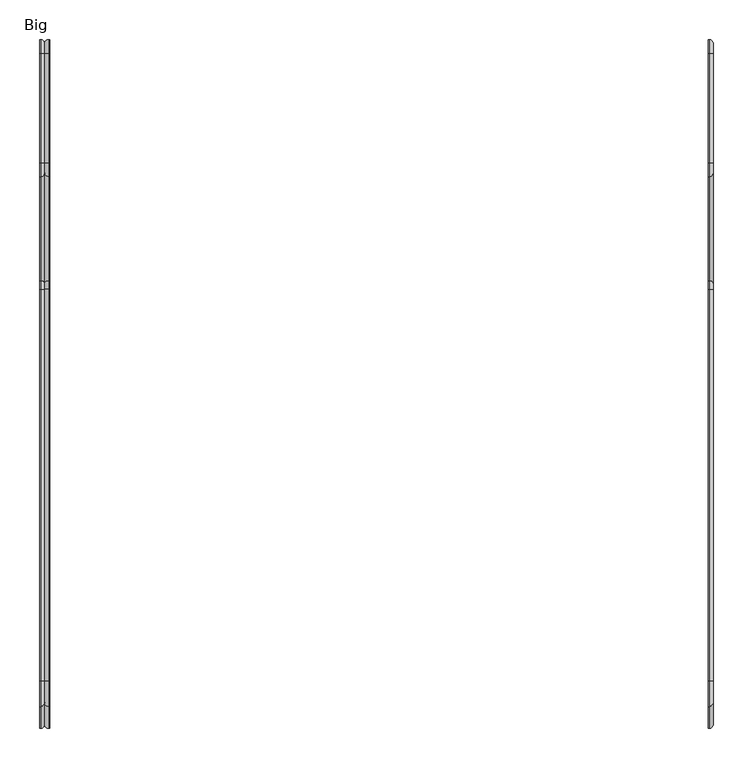
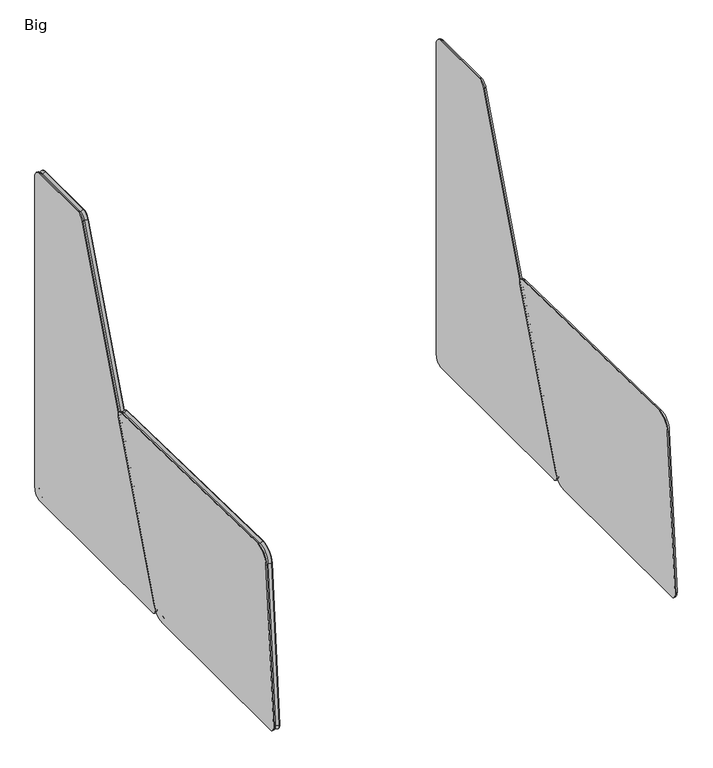
"""IFC4 building model written with IfcOpenShell, lengths in millimetres: furniture geometry, Big."""

from ifc_helpers import new_model, si_unit, point, frame, origin, place, context, project, spatial, circle_curve, ellipse_curve, trimmed, source, transform, mapped, element, save
from ifc_brep_helpers import plane_surface, cylinder_surface, revolved_surface, advanced_brep


def big_0305a862(model_context):
    return source(origin(), model_context, "Body", "AdvancedBrep", [
        advanced_brep(
        [(1683.6997412, -314.9526545, 414.2158586), (1683.6997412, -304.5197385, 398.7021703), (1682.4934293, -304.5197385, 398.7021703), (1682.4934293, -314.9526545, 414.2158586), (1688.8434293, -315.0614252, 409.0733208), (1688.8434293, -309.3234931, 400.5410474), (1682.4934293, -809.5215301, 424.6765705), (1683.6997412, -809.5215301, 424.6765705), (1688.8434293, -809.6303008, 419.5340326), (1682.4934293, -841.8415436, 395.4689681), (1683.6997412, -841.8415436, 395.4689681), (1688.8434293, -836.7142807, 395.0582348), (1682.4934293, -869.3709462, 51.8141192), (1683.6997412, -869.3709462, 51.8141192), (1688.8434293, -864.2436833, 51.4033859), (1682.4934293, -856.7115006, 38.1), (1683.6997412, -856.7115006, 38.1), (1688.8434293, -856.7115006, 43.2436881), (1682.4934293, -464.4011038, 38.1), (1683.6997412, -464.4011038, 38.1), (1688.8434293, -464.4011038, 43.2436881), (1682.4934293, -434.7493822, 58.4993215), (1683.6997412, -434.7493822, 58.4993215), (1688.8434293, -439.5531367, 60.3381987)],
        [
            (0, 1, circle_curve(frame((1683.6997412, -315.1943583, 402.7884145), z_axis=(-1.0, 0.0, 0.0), x_axis=(0.0, 0.933912493810332, -0.35750168377920466)), 11.43)),
            (1, 2),
            (2, 3, circle_curve(frame((1682.4934293, -315.1943583, 402.7884145), z_axis=(1.0, 0.0, 0.0), x_axis=(0.0, 0.933912493810332, -0.35750168377920466)), 11.43)),
            (3, 0),
            (0, 4, circle_curve(frame((1683.6997412, -315.0614252, 409.0733208), z_axis=(0.0, 0.9997763889644172, -0.02114644341893257), x_axis=(-1.0, 0.0, 0.0)), 5.1436881)),
            (4, 5, circle_curve(frame((1688.8434293, -315.1943583, 402.7884145), z_axis=(-1.0, 0.0, 0.0), x_axis=(0.0, 0.933912493810332, -0.35750168377920466)), 6.2863119)),
            (5, 1, circle_curve(frame((1683.6997412, -309.3234931, 400.5410474), z_axis=(0.0, 0.35750168377920477, 0.933912493810332), x_axis=(-1.0, 0.0, 0.0)), 5.1436881)),
            (3, 6),
            (6, 7),
            (7, 0),
            (7, 8, circle_curve(frame((1683.6997412, -809.6303008, 419.5340326), z_axis=(0.0, 0.9997763889644175, -0.02114644341893418), x_axis=(-1.0, 0.0, 0.0)), 5.1436881)),
            (8, 4),
            (6, 9, circle_curve(frame((1682.4934293, -810.1929297, 392.9336702), z_axis=(1.0, 0.0, 0.0), x_axis=(0.0, 0.02114644341893813, 0.9997763889644172)), 31.75)),
            (9, 10),
            (10, 7, circle_curve(frame((1683.6997412, -810.1929297, 392.9336702), z_axis=(-1.0, 0.0, 0.0), x_axis=(0.0, 0.02114644341893813, 0.9997763889644172)), 31.75)),
            (10, 11, circle_curve(frame((1683.6997412, -836.7142807, 395.0582348), z_axis=(0.0, 0.07985190397493681, 0.9968067382555044), x_axis=(-1.0, 0.0, 0.0)), 5.1436881)),
            (11, 8, circle_curve(frame((1688.8434293, -810.1929297, 392.9336702), z_axis=(-1.0, 0.0, 0.0), x_axis=(0.0, 0.02114644341893813, 0.9997763889644172)), 26.6063119)),
            (9, 12),
            (12, 13),
            (13, 10),
            (13, 14, circle_curve(frame((1683.6997412, -864.2436833, 51.4033859), z_axis=(0.0, 0.07985190397492817, 0.9968067382555051), x_axis=(-1.0, 0.0, 0.0)), 5.1436881)),
            (14, 11),
            (12, 15, circle_curve(frame((1682.4934293, -856.7115006, 50.8), z_axis=(1.0, 0.0, 0.0), x_axis=(0.0, -0.9968067382555038, 0.07985190397494248)), 12.7)),
            (15, 16),
            (16, 13, circle_curve(frame((1683.6997412, -856.7115006, 50.8), z_axis=(-1.0, 0.0, 0.0), x_axis=(0.0, -0.9968067382555038, 0.07985190397494248)), 12.7)),
            (16, 17, circle_curve(frame((1683.6997412, -856.7115006, 43.2436881), z_axis=(0.0, -0.9999999999999999, 0.0), x_axis=(-1.0, 0.0, 0.0)), 5.1436881)),
            (17, 14, circle_curve(frame((1688.8434293, -856.7115006, 50.8), z_axis=(-1.0, 0.0, 0.0), x_axis=(0.0, -0.9968067382555038, 0.07985190397494248)), 7.5563119)),
            (15, 18),
            (18, 19),
            (19, 16),
            (19, 20, circle_curve(frame((1683.6997412, -464.4011038, 43.2436881), z_axis=(0.0, -1.0, 0.0), x_axis=(-1.0, 0.0, 0.0)), 5.1436881)),
            (20, 17),
            (18, 21, circle_curve(frame((1682.4934293, -464.4011038, 69.85), z_axis=(1.0, 0.0, 0.0), x_axis=(0.0, 0.0, -1.0)), 31.75)),
            (21, 22),
            (22, 19, circle_curve(frame((1683.6997412, -464.4011038, 69.85), z_axis=(-1.0, 0.0, 0.0), x_axis=(0.0, 0.0, -1.0)), 31.75)),
            (22, 23, circle_curve(frame((1683.6997412, -439.5531367, 60.3381987), z_axis=(0.0, -0.35750168377919317, -0.9339124938103366), x_axis=(-1.0, 0.0, 0.0)), 5.1436881)),
            (23, 20, circle_curve(frame((1688.8434293, -464.4011038, 69.85), z_axis=(-1.0, 0.0, 0.0), x_axis=(0.0, 0.0, -1.0)), 26.6063119)),
            (2, 21),
            (1, 22),
            (5, 23),
        ],
        [
            cylinder_surface(frame((1682.4934293, -315.1943583, 402.7884145), z_axis=(1.0, 0.0, 0.0), x_axis=(0.0, 0.933912493810332, -0.35750168377920466)), 11.43),
            revolved_surface(trimmed(ellipse_curve(frame((1683.6997412, -309.3234931, 400.5410474), z_axis=(0.0, -0.35750168377920477, -0.933912493810332), x_axis=(-1.0, 0.0, 0.0)), 5.1436881, 5.1436881), [point((1683.6997412, -304.5197385, 398.7021703))], [point((1688.8434293, -309.3234931, 400.5410474))], True, "CARTESIAN"), (1682.4934293, -315.1943583, 402.7884145), (1.0, 0.0, 0.0)),
            plane_surface(frame((1682.4934293, -314.9526545, 414.2158586), z_axis=(0.0, 0.02114644341893413, 0.9997763889644173), x_axis=(0.0, -0.9997763889644173, 0.02114644341893413))),
            cylinder_surface(frame((1683.6997412, -315.0614252, 409.0733208), z_axis=(0.0, 0.9997763889644175, -0.02114644341893418), x_axis=(-1.0, 0.0, 0.0)), 5.1436881),
            cylinder_surface(frame((1682.4934293, -810.1929297, 392.9336702), z_axis=(1.0, 0.0, 0.0), x_axis=(0.0, 0.02114644341893813, 0.9997763889644172)), 31.75),
            revolved_surface(trimmed(ellipse_curve(frame((1683.6997412, -809.6303008, 419.5340326), z_axis=(0.0, 0.9997763889644172, -0.021146443418938222), x_axis=(-1.0, 0.0, 0.0)), 5.1436881, 5.1436881), [point((1683.6997412, -809.5215301, 424.6765705))], [point((1688.8434293, -809.6303008, 419.5340326))], True, "CARTESIAN"), (1682.4934293, -810.1929297, 392.9336702), (1.0, 0.0, 0.0)),
            plane_surface(frame((1682.4934293, -841.8415436, 395.4689681), z_axis=(0.0, -0.996806738255505, 0.07985190397492804), x_axis=(0.0, -0.07985190397492804, -0.996806738255505))),
            cylinder_surface(frame((1683.6997412, -836.7142807, 395.0582348), z_axis=(0.0, 0.07985190397492817, 0.9968067382555051), x_axis=(-1.0, 0.0, 0.0)), 5.1436881),
            cylinder_surface(frame((1682.4934293, -856.7115006, 50.8), z_axis=(1.0, 0.0, 0.0), x_axis=(0.0, -0.9968067382555038, 0.07985190397494248)), 12.7),
            revolved_surface(trimmed(ellipse_curve(frame((1683.6997412, -864.2436833, 51.4033859), z_axis=(0.0, 0.07985190397494259, 0.9968067382555038), x_axis=(-1.0, 0.0, 0.0)), 5.1436881, 5.1436881), [point((1683.6997412, -869.3709462, 51.8141192))], [point((1688.8434293, -864.2436833, 51.4033859))], True, "CARTESIAN"), (1682.4934293, -856.7115006, 50.8), (1.0, 0.0, 0.0)),
            plane_surface(frame((1682.4934293, -856.7115006, 38.1), z_axis=(0.0, 0.0, -1.0), x_axis=(0.0, 1.0, 0.0))),
            cylinder_surface(frame((1683.6997412, -856.7115006, 43.2436881), z_axis=(0.0, -1.0, 0.0), x_axis=(-1.0, 0.0, 0.0)), 5.1436881),
            cylinder_surface(frame((1682.4934293, -464.4011038, 69.85), z_axis=(1.0, 0.0, 0.0), x_axis=(0.0, 0.0, -1.0)), 31.75),
            revolved_surface(trimmed(ellipse_curve(frame((1683.6997412, -464.4011038, 43.2436881), z_axis=(0.0, -1.0, 0.0), x_axis=(-1.0, 0.0, 0.0)), 5.1436881, 5.1436881), [point((1683.6997412, -464.4011038, 38.1))], [point((1688.8434293, -464.4011038, 43.2436881))], True, "CARTESIAN"), (1682.4934293, -464.4011038, 69.85), (1.0, 0.0, 0.0)),
            plane_surface(frame((1682.4934293, -440.6797265, 60.7694572), z_axis=(-1.0, 0.0, 0.0), x_axis=(0.0, 0.3575016837791921, 0.9339124938103369))),
            plane_surface(frame((1682.4934293, -434.7493822, 58.4993215), z_axis=(0.0, 0.9339124938103369, -0.3575016837791923), x_axis=(0.0, 0.3575016837791923, 0.9339124938103369))),
            cylinder_surface(frame((1683.6997412, -439.5531367, 60.3381987), z_axis=(0.0, -0.3575016837791923, -0.9339124938103369), x_axis=(-1.0, 0.0, 0.0)), 5.1436881),
            plane_surface(frame((1688.8434293, -439.5531367, 60.3381987), z_axis=(1.0, 0.0, 0.0), x_axis=(0.0, 0.3575016837791921, 0.9339124938103369))),
        ],
        [
            (0, [[1, 2, 3, 4]]),
            (1, [[-1, 5, 6, 7]]),
            (2, [[-4, 8, 9, 10]]),
            (3, [[-5, -10, 11, 12]]),
            (4, [[-9, 13, 14, 15]]),
            (5, [[-11, -15, 16, 17]]),
            (6, [[-14, 18, 19, 20]]),
            (7, [[-16, -20, 21, 22]]),
            (8, [[-19, 23, 24, 25]]),
            (9, [[-21, -25, 26, 27]]),
            (10, [[-24, 28, 29, 30]]),
            (11, [[-26, -30, 31, 32]]),
            (12, [[-29, 33, 34, 35]]),
            (13, [[-31, -35, 36, 37]]),
            (14, [[-3, 38, -33, -28, -23, -18, -13, -8]]),
            (15, [[-2, 39, -34, -38]]),
            (16, [[-7, 40, -36, -39]]),
            (17, [[-6, -12, -17, -22, -27, -32, -37, -40]]),
        ],
    ),
        advanced_brep(
        [(1683.6997412, -17.018, 765.683), (1683.6997412, 0.0, 748.665), (1682.4934293, 0.0, 748.665), (1682.4934293, -17.018, 765.683), (1688.8434293, -17.018, 760.5393119), (1688.8434293, -5.1436881, 748.665), (1682.4934293, -155.2745791, 765.683), (1683.6997412, -155.2745791, 765.683), (1688.8434293, -155.2745791, 760.5393119), (1682.4934293, -173.0792475, 753.4076796), (1683.6997412, -173.0792475, 753.4076796), (1688.8434293, -168.2718112, 751.5784492), (1682.4934293, -438.7030878, 55.3164531), (1683.6997412, -438.7030878, 55.3164531), (1688.8434293, -433.8956515, 53.4872227), (1682.4934293, -426.8333088, 38.1), (1683.6997412, -426.8333088, 38.1), (1688.8434293, -426.8333088, 43.2436881), (1682.4934293, -19.05, 38.1), (1683.6997412, -19.05, 38.1), (1688.8434293, -19.05, 43.2436881), (1682.4934293, 0.0, 57.15), (1683.6997412, 0.0, 57.15), (1688.8434293, -5.1436881, 57.15)],
        [
            (0, 1, circle_curve(frame((1683.6997412, -17.018, 748.665), z_axis=(-1.0, 0.0, 0.0), x_axis=(0.0, 1.0, 0.0)), 17.018)),
            (1, 2),
            (2, 3, circle_curve(frame((1682.4934293, -17.018, 748.665), z_axis=(1.0, 0.0, 0.0), x_axis=(0.0, 1.0, 0.0)), 17.018)),
            (3, 0),
            (0, 4, circle_curve(frame((1683.6997412, -17.018, 760.5393119), z_axis=(0.0, 1.0, 0.0), x_axis=(-1.0, 0.0, 0.0)), 5.1436881)),
            (4, 5, circle_curve(frame((1688.8434293, -17.018, 748.665), z_axis=(-1.0, 0.0, 0.0), x_axis=(0.0, 1.0, 0.0)), 11.8743119)),
            (5, 1, circle_curve(frame((1683.6997412, -5.1436881, 748.665), z_axis=(0.0, 0.0, 1.0), x_axis=(-1.0, 0.0, 0.0)), 5.1436881)),
            (3, 6),
            (6, 7),
            (7, 0),
            (7, 8, circle_curve(frame((1683.6997412, -155.2745791, 760.5393119), z_axis=(0.0, 1.0, 0.0), x_axis=(-1.0, 0.0, 0.0)), 5.1436881)),
            (8, 4),
            (6, 9, circle_curve(frame((1682.4934293, -155.2745791, 746.633), z_axis=(1.0, 0.0, 0.0), x_axis=(0.0, 0.0, 1.0)), 19.05)),
            (9, 10),
            (10, 7, circle_curve(frame((1683.6997412, -155.2745791, 746.633), z_axis=(-1.0, 0.0, 0.0), x_axis=(0.0, 0.0, 1.0)), 19.05)),
            (10, 11, circle_curve(frame((1683.6997412, -168.2718112, 751.5784492), z_axis=(0.0, 0.3556262257533158, 0.9346282616936274), x_axis=(-1.0, 0.0, 0.0)), 5.1436881)),
            (11, 8, circle_curve(frame((1688.8434293, -155.2745791, 746.633), z_axis=(-1.0, 0.0, 0.0), x_axis=(0.0, 0.0, 1.0)), 13.9063119)),
            (9, 12),
            (12, 13),
            (13, 10),
            (13, 14, circle_curve(frame((1683.6997412, -433.8956515, 53.4872227), z_axis=(0.0, 0.3556262257533026, 0.9346282616936324), x_axis=(-1.0, 0.0, 0.0)), 5.1436881)),
            (14, 11),
            (12, 15, circle_curve(frame((1682.4934293, -426.8333088, 50.8), z_axis=(1.0, 0.0, 0.0), x_axis=(0.0, -0.9346282616936246, 0.35562622575332314)), 12.7)),
            (15, 16),
            (16, 13, circle_curve(frame((1683.6997412, -426.8333088, 50.8), z_axis=(-1.0, 0.0, 0.0), x_axis=(0.0, -0.9346282616936246, 0.35562622575332314)), 12.7)),
            (16, 17, circle_curve(frame((1683.6997412, -426.8333088, 43.2436881), z_axis=(0.0, -1.0, 0.0), x_axis=(-1.0, 0.0, 0.0)), 5.1436881)),
            (17, 14, circle_curve(frame((1688.8434293, -426.8333088, 50.8), z_axis=(-1.0, 0.0, 0.0), x_axis=(0.0, -0.9346282616936246, 0.35562622575332314)), 7.5563119)),
            (15, 18),
            (18, 19),
            (19, 16),
            (19, 20, circle_curve(frame((1683.6997412, -19.05, 43.2436881), z_axis=(0.0, -1.0, 0.0), x_axis=(-1.0, 0.0, 0.0)), 5.1436881)),
            (20, 17),
            (18, 21, circle_curve(frame((1682.4934293, -19.05, 57.15), z_axis=(1.0, 0.0, 0.0), x_axis=(0.0, 0.0, -1.0)), 19.05)),
            (21, 22),
            (22, 19, circle_curve(frame((1683.6997412, -19.05, 57.15), z_axis=(-1.0, 0.0, 0.0), x_axis=(0.0, 0.0, -1.0)), 19.05)),
            (22, 23, circle_curve(frame((1683.6997412, -5.1436881, 57.15), z_axis=(0.0, 0.0, -1.0), x_axis=(-1.0, 0.0, 0.0)), 5.1436881)),
            (23, 20, circle_curve(frame((1688.8434293, -19.05, 57.15), z_axis=(-1.0, 0.0, 0.0), x_axis=(0.0, 0.0, -1.0)), 13.9063119)),
            (2, 21),
            (1, 22),
            (5, 23),
        ],
        [
            cylinder_surface(frame((1682.4934293, -17.018, 748.665), z_axis=(1.0, 0.0, 0.0), x_axis=(0.0, 1.0, 0.0)), 17.018),
            revolved_surface(trimmed(ellipse_curve(frame((1683.6997412, -5.1436881, 748.665), z_axis=(0.0, 0.0, -1.0), x_axis=(-1.0, 0.0, 0.0)), 5.1436881, 5.1436881), [point((1683.6997412, 0.0, 748.665))], [point((1688.8434293, -5.1436881, 748.665))], True, "CARTESIAN"), (1682.4934293, -17.018, 748.665), (1.0, 0.0, 0.0)),
            plane_surface(frame((1682.4934293, -17.018, 765.683), z_axis=(0.0, 0.0, 1.0), x_axis=(0.0, -1.0, 0.0))),
            cylinder_surface(frame((1683.6997412, -17.018, 760.5393119), z_axis=(0.0, 1.0, 0.0), x_axis=(-1.0, 0.0, 0.0)), 5.1436881),
            cylinder_surface(frame((1682.4934293, -155.2745791, 746.633), z_axis=(1.0, 0.0, 0.0), x_axis=(0.0, 0.0, 1.0)), 19.05),
            revolved_surface(trimmed(ellipse_curve(frame((1683.6997412, -155.2745791, 760.5393119), z_axis=(0.0, 1.0, 0.0), x_axis=(-1.0, 0.0, 0.0)), 5.1436881, 5.1436881), [point((1683.6997412, -155.2745791, 765.683))], [point((1688.8434293, -155.2745791, 760.5393119))], True, "CARTESIAN"), (1682.4934293, -155.2745791, 746.633), (1.0, 0.0, 0.0)),
            plane_surface(frame((1682.4934293, -173.0792475, 753.4076796), z_axis=(0.0, -0.9346282616936323, 0.35562622575330277), x_axis=(0.0, -0.35562622575330277, -0.9346282616936323))),
            cylinder_surface(frame((1683.6997412, -168.2718112, 751.5784492), z_axis=(0.0, 0.3556262257533026, 0.9346282616936324), x_axis=(-1.0, 0.0, 0.0)), 5.1436881),
            cylinder_surface(frame((1682.4934293, -426.8333088, 50.8), z_axis=(1.0, 0.0, 0.0), x_axis=(0.0, -0.9346282616936246, 0.35562622575332314)), 12.7),
            revolved_surface(trimmed(ellipse_curve(frame((1683.6997412, -433.8956515, 53.4872227), z_axis=(0.0, 0.35562622575332276, 0.9346282616936247), x_axis=(-1.0, 0.0, 0.0)), 5.1436881, 5.1436881), [point((1683.6997412, -438.7030878, 55.3164531))], [point((1688.8434293, -433.8956515, 53.4872227))], True, "CARTESIAN"), (1682.4934293, -426.8333088, 50.8), (1.0, 0.0, 0.0)),
            plane_surface(frame((1682.4934293, -426.8333088, 38.1), z_axis=(0.0, 0.0, -1.0), x_axis=(0.0, 1.0, 0.0))),
            cylinder_surface(frame((1683.6997412, -426.8333088, 43.2436881), z_axis=(0.0, -1.0, 0.0), x_axis=(-1.0, 0.0, 0.0)), 5.1436881),
            cylinder_surface(frame((1682.4934293, -19.05, 57.15), z_axis=(1.0, 0.0, 0.0), x_axis=(0.0, 0.0, -1.0)), 19.05),
            revolved_surface(trimmed(ellipse_curve(frame((1683.6997412, -19.05, 43.2436881), z_axis=(0.0, -1.0, 0.0), x_axis=(-1.0, 0.0, 0.0)), 5.1436881, 5.1436881), [point((1683.6997412, -19.05, 38.1))], [point((1688.8434293, -19.05, 43.2436881))], True, "CARTESIAN"), (1682.4934293, -19.05, 57.15), (1.0, 0.0, 0.0)),
            plane_surface(frame((1682.4934293, -6.35, 57.15), z_axis=(-1.0, 0.0, 0.0), x_axis=(0.0, 0.0, 1.0))),
            plane_surface(frame((1682.4934293, 0.0, 57.15), z_axis=(0.0, 1.0, 0.0), x_axis=(0.0, 0.0, 1.0))),
            cylinder_surface(frame((1683.6997412, -5.1436881, 57.15), z_axis=(0.0, 0.0, -1.0), x_axis=(-1.0, 0.0, 0.0)), 5.1436881),
            plane_surface(frame((1688.8434293, -5.1436881, 57.15), z_axis=(1.0, 0.0, 0.0), x_axis=(0.0, 0.0, 1.0))),
        ],
        [
            (0, [[1, 2, 3, 4]]),
            (1, [[-1, 5, 6, 7]]),
            (2, [[-4, 8, 9, 10]]),
            (3, [[-5, -10, 11, 12]]),
            (4, [[-9, 13, 14, 15]]),
            (5, [[-11, -15, 16, 17]]),
            (6, [[-14, 18, 19, 20]]),
            (7, [[-16, -20, 21, 22]]),
            (8, [[-19, 23, 24, 25]]),
            (9, [[-21, -25, 26, 27]]),
            (10, [[-24, 28, 29, 30]]),
            (11, [[-26, -30, 31, 32]]),
            (12, [[-29, 33, 34, 35]]),
            (13, [[-31, -35, 36, 37]]),
            (14, [[-3, 38, -33, -28, -23, -18, -13, -8]]),
            (15, [[-2, 39, -34, -38]]),
            (16, [[-7, 40, -36, -39]]),
            (17, [[-6, -12, -17, -22, -27, -32, -37, -40]]),
        ],
    ),
        advanced_brep(
        [(839.1510266, -314.9526545, 414.2158586), (839.1510266, -304.5197385, 398.7021703), (837.9447146, -304.5197385, 398.7021703), (837.9447146, -314.9526545, 414.2158586), (844.2947146, -315.0614252, 409.0733208), (844.2947146, -309.3234931, 400.5410474), (837.9447146, -809.5215301, 424.6765705), (839.1510266, -809.5215301, 424.6765705), (844.2947146, -809.6303008, 419.5340326), (837.9447146, -841.8415436, 395.4689681), (839.1510266, -841.8415436, 395.4689681), (844.2947146, -836.7142807, 395.0582348), (837.9447146, -869.3709462, 51.8141192), (839.1510266, -869.3709462, 51.8141192), (844.2947146, -864.2436833, 51.4033859), (837.9447146, -856.7115006, 38.1), (839.1510266, -856.7115006, 38.1), (844.2947146, -856.7115006, 43.2436881), (837.9447146, -464.4011038, 38.1), (839.1510266, -464.4011038, 38.1), (844.2947146, -464.4011038, 43.2436881), (837.9447146, -434.7493822, 58.4993215), (839.1510266, -434.7493822, 58.4993215), (844.2947146, -439.5531367, 60.3381987)],
        [
            (0, 1, circle_curve(frame((839.1510266, -315.1943583, 402.7884145), z_axis=(-1.0, 0.0, 0.0), x_axis=(0.0, 0.933912493810332, -0.35750168377920466)), 11.43)),
            (1, 2),
            (2, 3, circle_curve(frame((837.9447146, -315.1943583, 402.7884145), z_axis=(1.0, 0.0, 0.0), x_axis=(0.0, 0.933912493810332, -0.35750168377920466)), 11.43)),
            (3, 0),
            (0, 4, circle_curve(frame((839.1510266, -315.0614252, 409.0733208), z_axis=(0.0, 0.9997763889644172, -0.021146443418935457), x_axis=(-1.0, 0.0, 0.0)), 5.1436881)),
            (4, 5, circle_curve(frame((844.2947146, -315.1943583, 402.7884145), z_axis=(-1.0, 0.0, 0.0), x_axis=(0.0, 0.933912493810332, -0.35750168377920466)), 6.2863119)),
            (5, 1, circle_curve(frame((839.1510266, -309.3234931, 400.5410474), z_axis=(0.0, 0.35750168377920477, 0.933912493810332), x_axis=(-1.0, 0.0, 0.0)), 5.1436881)),
            (3, 6),
            (6, 7),
            (7, 0),
            (7, 8, circle_curve(frame((839.1510266, -809.6303008, 419.5340326), z_axis=(0.0, 0.9997763889644175, -0.02114644341893418), x_axis=(-1.0, 0.0, 0.0)), 5.1436881)),
            (8, 4),
            (6, 9, circle_curve(frame((837.9447146, -810.1929297, 392.9336702), z_axis=(1.0, 0.0, 0.0), x_axis=(0.0, 0.02114644341893813, 0.9997763889644172)), 31.75)),
            (9, 10),
            (10, 7, circle_curve(frame((839.1510266, -810.1929297, 392.9336702), z_axis=(-1.0, 0.0, 0.0), x_axis=(0.0, 0.02114644341893813, 0.9997763889644172)), 31.75)),
            (10, 11, circle_curve(frame((839.1510266, -836.7142807, 395.0582348), z_axis=(0.0, 0.07985190397493681, 0.9968067382555044), x_axis=(-1.0, 0.0, 0.0)), 5.1436881)),
            (11, 8, circle_curve(frame((844.2947146, -810.1929297, 392.9336702), z_axis=(-1.0, 0.0, 0.0), x_axis=(0.0, 0.02114644341893813, 0.9997763889644172)), 26.6063119)),
            (9, 12),
            (12, 13),
            (13, 10),
            (13, 14, circle_curve(frame((839.1510266, -864.2436833, 51.4033859), z_axis=(0.0, 0.07985190397492817, 0.9968067382555051), x_axis=(-1.0, 0.0, 0.0)), 5.1436881)),
            (14, 11),
            (12, 15, circle_curve(frame((837.9447146, -856.7115006, 50.8), z_axis=(1.0, 0.0, 0.0), x_axis=(0.0, -0.9968067382555038, 0.07985190397494248)), 12.7)),
            (15, 16),
            (16, 13, circle_curve(frame((839.1510266, -856.7115006, 50.8), z_axis=(-1.0, 0.0, 0.0), x_axis=(0.0, -0.9968067382555038, 0.07985190397494248)), 12.7)),
            (16, 17, circle_curve(frame((839.1510266, -856.7115006, 43.2436881), z_axis=(0.0, -0.9999999999999999, 0.0), x_axis=(-1.0, 0.0, 0.0)), 5.1436881)),
            (17, 14, circle_curve(frame((844.2947146, -856.7115006, 50.8), z_axis=(-1.0, 0.0, 0.0), x_axis=(0.0, -0.9968067382555038, 0.07985190397494248)), 7.5563119)),
            (15, 18),
            (18, 19),
            (19, 16),
            (19, 20, circle_curve(frame((839.1510266, -464.4011038, 43.2436881), z_axis=(0.0, -1.0, 0.0), x_axis=(-1.0, 0.0, 0.0)), 5.1436881)),
            (20, 17),
            (18, 21, circle_curve(frame((837.9447146, -464.4011038, 69.85), z_axis=(1.0, 0.0, 0.0), x_axis=(0.0, 0.0, -1.0)), 31.75)),
            (21, 22),
            (22, 19, circle_curve(frame((839.1510266, -464.4011038, 69.85), z_axis=(-1.0, 0.0, 0.0), x_axis=(0.0, 0.0, -1.0)), 31.75)),
            (22, 23, circle_curve(frame((839.1510266, -439.5531367, 60.3381987), z_axis=(0.0, -0.357501683779193, -0.9339124938103366), x_axis=(-1.0, 0.0, 0.0)), 5.1436881)),
            (23, 20, circle_curve(frame((844.2947146, -464.4011038, 69.85), z_axis=(-1.0, 0.0, 0.0), x_axis=(0.0, 0.0, -1.0)), 26.6063119)),
            (2, 21),
            (1, 22),
            (5, 23),
        ],
        [
            cylinder_surface(frame((837.9447146, -315.1943583, 402.7884145), z_axis=(1.0, 0.0, 0.0), x_axis=(0.0, 0.933912493810332, -0.35750168377920466)), 11.43),
            revolved_surface(trimmed(ellipse_curve(frame((839.1510266, -309.3234931, 400.5410474), z_axis=(0.0, -0.35750168377920477, -0.933912493810332), x_axis=(-1.0, 0.0, 0.0)), 5.1436881, 5.1436881), [point((839.1510266, -304.5197385, 398.7021703))], [point((844.2947146, -309.3234931, 400.5410474))], True, "CARTESIAN"), (837.9447146, -315.1943583, 402.7884145), (1.0, 0.0, 0.0)),
            plane_surface(frame((837.9447146, -314.9526545, 414.2158586), z_axis=(0.0, 0.02114644341893413, 0.9997763889644173), x_axis=(0.0, -0.9997763889644173, 0.02114644341893413))),
            cylinder_surface(frame((839.1510266, -315.0614252, 409.0733208), z_axis=(0.0, 0.9997763889644175, -0.02114644341893418), x_axis=(-1.0, 0.0, 0.0)), 5.1436881),
            cylinder_surface(frame((837.9447146, -810.1929297, 392.9336702), z_axis=(1.0, 0.0, 0.0), x_axis=(0.0, 0.02114644341893813, 0.9997763889644172)), 31.75),
            revolved_surface(trimmed(ellipse_curve(frame((839.1510266, -809.6303008, 419.5340326), z_axis=(0.0, 0.9997763889644172, -0.021146443418938222), x_axis=(-1.0, 0.0, 0.0)), 5.1436881, 5.1436881), [point((839.1510266, -809.5215301, 424.6765705))], [point((844.2947146, -809.6303008, 419.5340326))], True, "CARTESIAN"), (837.9447146, -810.1929297, 392.9336702), (1.0, 0.0, 0.0)),
            plane_surface(frame((837.9447146, -841.8415436, 395.4689681), z_axis=(0.0, -0.996806738255505, 0.07985190397492804), x_axis=(0.0, -0.07985190397492804, -0.996806738255505))),
            cylinder_surface(frame((839.1510266, -836.7142807, 395.0582348), z_axis=(0.0, 0.07985190397492817, 0.9968067382555051), x_axis=(-1.0, 0.0, 0.0)), 5.1436881),
            cylinder_surface(frame((837.9447146, -856.7115006, 50.8), z_axis=(1.0, 0.0, 0.0), x_axis=(0.0, -0.9968067382555038, 0.07985190397494248)), 12.7),
            revolved_surface(trimmed(ellipse_curve(frame((839.1510266, -864.2436833, 51.4033859), z_axis=(0.0, 0.07985190397494259, 0.9968067382555038), x_axis=(-1.0, 0.0, 0.0)), 5.1436881, 5.1436881), [point((839.1510266, -869.3709462, 51.8141192))], [point((844.2947146, -864.2436833, 51.4033859))], True, "CARTESIAN"), (837.9447146, -856.7115006, 50.8), (1.0, 0.0, 0.0)),
            plane_surface(frame((837.9447146, -856.7115006, 38.1), z_axis=(0.0, 0.0, -1.0), x_axis=(0.0, 1.0, 0.0))),
            cylinder_surface(frame((839.1510266, -856.7115006, 43.2436881), z_axis=(0.0, -1.0, 0.0), x_axis=(-1.0, 0.0, 0.0)), 5.1436881),
            cylinder_surface(frame((837.9447146, -464.4011038, 69.85), z_axis=(1.0, 0.0, 0.0), x_axis=(0.0, 0.0, -1.0)), 31.75),
            revolved_surface(trimmed(ellipse_curve(frame((839.1510266, -464.4011038, 43.2436881), z_axis=(0.0, -1.0, 0.0), x_axis=(-1.0, 0.0, 0.0)), 5.1436881, 5.1436881), [point((839.1510266, -464.4011038, 38.1))], [point((844.2947146, -464.4011038, 43.2436881))], True, "CARTESIAN"), (837.9447146, -464.4011038, 69.85), (1.0, 0.0, 0.0)),
            plane_surface(frame((837.9447146, -440.6797265, 60.7694572), z_axis=(-1.0, 0.0, 0.0), x_axis=(0.0, 0.3575016837791921, 0.9339124938103369))),
            plane_surface(frame((837.9447146, -434.7493822, 58.4993215), z_axis=(0.0, 0.9339124938103369, -0.3575016837791922), x_axis=(0.0, 0.3575016837791922, 0.9339124938103369))),
            cylinder_surface(frame((839.1510266, -439.5531367, 60.3381987), z_axis=(0.0, -0.3575016837791923, -0.9339124938103369), x_axis=(-1.0, 0.0, 0.0)), 5.1436881),
            plane_surface(frame((844.2947146, -439.5531367, 60.3381987), z_axis=(1.0, 0.0, 0.0), x_axis=(0.0, 0.3575016837791921, 0.9339124938103369))),
        ],
        [
            (0, [[1, 2, 3, 4]]),
            (1, [[-1, 5, 6, 7]]),
            (2, [[-4, 8, 9, 10]]),
            (3, [[-5, -10, 11, 12]]),
            (4, [[-9, 13, 14, 15]]),
            (5, [[-11, -15, 16, 17]]),
            (6, [[-14, 18, 19, 20]]),
            (7, [[-16, -20, 21, 22]]),
            (8, [[-19, 23, 24, 25]]),
            (9, [[-21, -25, 26, 27]]),
            (10, [[-24, 28, 29, 30]]),
            (11, [[-26, -30, 31, 32]]),
            (12, [[-29, 33, 34, 35]]),
            (13, [[-31, -35, 36, 37]]),
            (14, [[-3, 38, -33, -28, -23, -18, -13, -8]]),
            (15, [[-2, 39, -34, -38]]),
            (16, [[-7, 40, -36, -39]]),
            (17, [[-6, -12, -17, -22, -27, -32, -37, -40]]),
        ],
    ),
        advanced_brep(
        [(849.4384027, -434.7493822, 58.4993215), (844.2947146, -439.5531367, 60.3381987), (844.2947146, -309.3234931, 400.5410474), (849.4384027, -304.5197385, 398.7021703), (850.6447146, -304.5197385, 398.7021703), (850.6447146, -434.7493822, 58.4993215), (849.4384027, -314.9526545, 414.2158586), (844.2947146, -315.0614252, 409.0733208), (844.2947146, -809.6303008, 419.5340326), (849.4384027, -809.5215301, 424.6765705), (850.6447146, -809.5215301, 424.6765705), (850.6447146, -314.9526545, 414.2158586), (849.4384027, -856.7115006, 38.1), (844.2947146, -856.7115006, 43.2436881), (844.2947146, -464.4011038, 43.2436881), (849.4384027, -464.4011038, 38.1), (850.6447146, -464.4011038, 38.1), (850.6447146, -856.7115006, 38.1), (844.2947146, -836.7142807, 395.0582348), (849.4384027, -841.8415436, 395.4689681), (850.6447146, -841.8415436, 395.4689681), (844.2947146, -864.2436833, 51.4033859), (849.4384027, -869.3709462, 51.8141192), (850.6447146, -869.3709462, 51.8141192)],
        [
            (0, 1, circle_curve(frame((849.4384027, -439.5531367, 60.3381987), z_axis=(0.0, 0.3575016837791923, 0.9339124938103369), x_axis=(1.0, 0.0, 0.0)), 5.1436881)),
            (1, 2),
            (2, 3, circle_curve(frame((849.4384027, -309.3234931, 400.5410474), z_axis=(0.0, -0.3575016837791923, -0.9339124938103369), x_axis=(1.0, 0.0, 0.0)), 5.1436881)),
            (3, 0),
            (3, 4),
            (4, 5),
            (5, 0),
            (6, 7, circle_curve(frame((849.4384027, -315.0614252, 409.0733208), z_axis=(0.0, -0.9997763889644175, 0.02114644341893418), x_axis=(1.0, 0.0, 0.0)), 5.1436881)),
            (7, 8),
            (8, 9, circle_curve(frame((849.4384027, -809.6303008, 419.5340326), z_axis=(0.0, 0.9997763889644175, -0.02114644341893418), x_axis=(1.0, 0.0, 0.0)), 5.1436881)),
            (9, 6),
            (9, 10),
            (10, 11),
            (11, 6),
            (12, 13, circle_curve(frame((849.4384027, -856.7115006, 43.2436881), z_axis=(0.0, 1.0, 0.0), x_axis=(1.0, 0.0, 0.0)), 5.1436881)),
            (13, 14),
            (14, 15, circle_curve(frame((849.4384027, -464.4011038, 43.2436881), z_axis=(0.0, -1.0, 0.0), x_axis=(1.0, 0.0, 0.0)), 5.1436881)),
            (15, 12),
            (15, 16),
            (16, 17),
            (17, 12),
            (0, 15, circle_curve(frame((849.4384027, -464.4011038, 69.85), z_axis=(-1.0, 0.0, 0.0), x_axis=(0.0, 0.0, -1.0)), 31.75)),
            (14, 1, circle_curve(frame((844.2947146, -464.4011038, 69.85), z_axis=(1.0, 0.0, 0.0), x_axis=(0.0, 0.0, -1.0)), 26.6063119)),
            (5, 16, circle_curve(frame((850.6447146, -464.4011038, 69.85), z_axis=(-1.0, 0.0, 0.0), x_axis=(0.0, 0.0, -1.0)), 31.75)),
            (2, 7, circle_curve(frame((844.2947146, -315.1943583, 402.7884145), z_axis=(1.0, 0.0, 0.0), x_axis=(0.0, 0.933912493810332, -0.35750168377920466)), 6.2863119)),
            (6, 3, circle_curve(frame((849.4384027, -315.1943583, 402.7884145), z_axis=(-1.0, 0.0, 0.0), x_axis=(0.0, 0.933912493810332, -0.35750168377920466)), 11.43)),
            (11, 4, circle_curve(frame((850.6447146, -315.1943583, 402.7884145), z_axis=(-1.0, 0.0, 0.0), x_axis=(0.0, 0.933912493810332, -0.35750168377920466)), 11.43)),
            (8, 18, circle_curve(frame((844.2947146, -810.1929297, 392.9336702), z_axis=(1.0, 0.0, 0.0), x_axis=(0.0, 0.02114644341893813, 0.9997763889644172)), 26.6063119)),
            (18, 19, circle_curve(frame((849.4384027, -836.7142807, 395.0582348), z_axis=(0.0, 0.07985190397493704, 0.9968067382555044), x_axis=(1.0, 0.0, 0.0)), 5.1436881)),
            (19, 9, circle_curve(frame((849.4384027, -810.1929297, 392.9336702), z_axis=(-1.0, 0.0, 0.0), x_axis=(0.0, 0.02114644341893813, 0.9997763889644172)), 31.75)),
            (19, 20),
            (20, 10, circle_curve(frame((850.6447146, -810.1929297, 392.9336702), z_axis=(-1.0, 0.0, 0.0), x_axis=(0.0, 0.02114644341893813, 0.9997763889644172)), 31.75)),
            (18, 21),
            (21, 22, circle_curve(frame((849.4384027, -864.2436833, 51.4033859), z_axis=(0.0, 0.07985190397492817, 0.9968067382555051), x_axis=(1.0, 0.0, 0.0)), 5.1436881)),
            (22, 19),
            (22, 23),
            (23, 20),
            (13, 21, circle_curve(frame((844.2947146, -856.7115006, 50.8), z_axis=(-1.0, 0.0, 0.0), x_axis=(0.0, -0.9968067382555038, 0.07985190397494248)), 7.5563119)),
            (12, 22, circle_curve(frame((849.4384027, -856.7115006, 50.8), z_axis=(-1.0, 0.0, 0.0), x_axis=(0.0, -0.9968067382555038, 0.07985190397494248)), 12.7)),
            (17, 23, circle_curve(frame((850.6447146, -856.7115006, 50.8), z_axis=(-1.0, 0.0, 0.0), x_axis=(0.0, -0.9968067382555038, 0.07985190397494248)), 12.7)),
        ],
        [
            cylinder_surface(frame((849.4384027, -439.5531367, 60.3381987), z_axis=(0.0, -0.3575016837791923, -0.9339124938103369), x_axis=(1.0, 0.0, 0.0)), 5.1436881),
            plane_surface(frame((849.4384027, -434.7493822, 58.4993215), z_axis=(0.0, 0.9339124938103369, -0.3575016837791921), x_axis=(0.0, 0.3575016837791921, 0.9339124938103369))),
            cylinder_surface(frame((849.4384027, -315.0614252, 409.0733208), z_axis=(0.0, 0.9997763889644175, -0.02114644341893418), x_axis=(1.0, 0.0, 0.0)), 5.1436881),
            plane_surface(frame((849.4384027, -314.9526545, 414.2158586), z_axis=(0.0, 0.02114644341893413, 0.9997763889644173), x_axis=(0.0, -0.9997763889644173, 0.02114644341893413))),
            cylinder_surface(frame((849.4384027, -856.7115006, 43.2436881), z_axis=(0.0, -1.0, 0.0), x_axis=(1.0, 0.0, 0.0)), 5.1436881),
            plane_surface(frame((849.4384027, -856.7115006, 38.1), z_axis=(0.0, 0.0, -1.0), x_axis=(0.0, 1.0, 0.0))),
            revolved_surface(trimmed(ellipse_curve(frame((849.4384027, -464.4011038, 43.2436881), z_axis=(0.0, -1.0, 0.0), x_axis=(1.0, 0.0, 0.0)), 5.1436881, 5.1436881), [point((844.2947146, -464.4011038, 43.2436881))], [point((849.4384027, -464.4011038, 38.1))], True, "CARTESIAN"), (844.2947146, -464.4011038, 69.85), (1.0, 0.0, 0.0)),
            cylinder_surface(frame((844.2947146, -464.4011038, 69.85), z_axis=(1.0, 0.0, 0.0), x_axis=(0.0, 0.0, -1.0)), 31.75),
            revolved_surface(trimmed(ellipse_curve(frame((849.4384027, -309.3234931, 400.5410474), z_axis=(0.0, -0.35750168377920477, -0.933912493810332), x_axis=(1.0, 0.0, 0.0)), 5.1436881, 5.1436881), [point((844.2947146, -309.3234931, 400.5410474))], [point((849.4384027, -304.5197385, 398.7021703))], True, "CARTESIAN"), (844.2947146, -315.1943583, 402.7884145), (1.0, 0.0, 0.0)),
            cylinder_surface(frame((844.2947146, -315.1943583, 402.7884145), z_axis=(1.0, 0.0, 0.0), x_axis=(0.0, 0.933912493810332, -0.35750168377920466)), 11.43),
            revolved_surface(trimmed(ellipse_curve(frame((849.4384027, -809.6303008, 419.5340326), z_axis=(0.0, 0.9997763889644172, -0.021146443418938222), x_axis=(1.0, 0.0, 0.0)), 5.1436881, 5.1436881), [point((844.2947146, -809.6303008, 419.5340326))], [point((849.4384027, -809.5215301, 424.6765705))], True, "CARTESIAN"), (844.2947146, -810.1929297, 392.9336702), (1.0, 0.0, 0.0)),
            cylinder_surface(frame((844.2947146, -810.1929297, 392.9336702), z_axis=(1.0, 0.0, 0.0), x_axis=(0.0, 0.02114644341893813, 0.9997763889644172)), 31.75),
            cylinder_surface(frame((849.4384027, -836.7142807, 395.0582348), z_axis=(0.0, 0.07985190397492817, 0.9968067382555051), x_axis=(1.0, 0.0, 0.0)), 5.1436881),
            plane_surface(frame((849.4384027, -841.8415436, 395.4689681), z_axis=(0.0, -0.996806738255505, 0.07985190397492804), x_axis=(0.0, -0.07985190397492804, -0.996806738255505))),
            plane_surface(frame((844.2947146, -856.7115006, 50.8), z_axis=(-1.0, 0.0, 0.0), x_axis=(0.0, -0.9968067382555038, 0.07985190397494248))),
            revolved_surface(trimmed(ellipse_curve(frame((849.4384027, -864.2436833, 51.4033859), z_axis=(0.0, 0.07985190397494259, 0.9968067382555038), x_axis=(1.0, 0.0, 0.0)), 5.1436881, 5.1436881), [point((844.2947146, -864.2436833, 51.4033859))], [point((849.4384027, -869.3709462, 51.8141192))], True, "CARTESIAN"), (844.2947146, -856.7115006, 50.8), (1.0, 0.0, 0.0)),
            cylinder_surface(frame((844.2947146, -856.7115006, 50.8), z_axis=(1.0, 0.0, 0.0), x_axis=(0.0, -0.9968067382555038, 0.07985190397494248)), 12.7),
            plane_surface(frame((850.6447146, -856.7115006, 50.8), z_axis=(1.0, 0.0, 0.0), x_axis=(0.0, -0.9968067382555038, 0.07985190397494248))),
        ],
        [
            (0, [[1, 2, 3, 4]]),
            (1, [[-4, 5, 6, 7]]),
            (2, [[8, 9, 10, 11]]),
            (3, [[-11, 12, 13, 14]]),
            (4, [[15, 16, 17, 18]]),
            (5, [[-18, 19, 20, 21]]),
            (6, [[-1, 22, -17, 23]]),
            (7, [[-7, 24, -19, -22]]),
            (8, [[-3, 25, -8, 26]]),
            (9, [[-5, -26, -14, 27]]),
            (10, [[-10, 28, 29, 30]]),
            (11, [[-12, -30, 31, 32]]),
            (12, [[-29, 33, 34, 35]]),
            (13, [[-31, -35, 36, 37]]),
            (14, [[-2, -23, -16, 38, -33, -28, -9, -25]]),
            (15, [[-15, 39, -34, -38]]),
            (16, [[-21, 40, -36, -39]]),
            (17, [[-6, -27, -13, -32, -37, -40, -20, -24]]),
        ],
    ),
        advanced_brep(
        [(844.2947146, -433.8956515, 53.4872227), (844.2947146, -168.2718112, 751.5784492), (844.2947146, -155.2745791, 760.5393119), (844.2947146, -17.018, 760.5393119), (844.2947146, -5.1436881, 748.665), (844.2947146, -5.1436881, 57.15), (844.2947146, -19.05, 43.2436881), (844.2947146, -426.8333088, 43.2436881), (850.6447146, -173.0792475, 753.4076796), (850.6447146, -438.7030878, 55.3164531), (850.6447146, -426.8333088, 38.1), (850.6447146, -19.05, 38.1), (850.6447146, 0.0, 57.15), (850.6447146, 0.0, 748.665), (850.6447146, -17.018, 765.683), (850.6447146, -155.2745791, 765.683), (849.4384027, -173.0792475, 753.4076796), (849.4384027, -438.7030878, 55.3164531), (849.4384027, -426.8333088, 38.1), (849.4384027, -19.05, 38.1), (849.4384027, 0.0, 57.15), (849.4384027, 0.0, 748.665), (849.4384027, -17.018, 765.683), (849.4384027, -155.2745791, 765.683)],
        [
            (0, 1),
            (1, 2, circle_curve(frame((844.2947146, -155.2745791, 746.633), z_axis=(-1.0, 0.0, 0.0), x_axis=(0.0, 0.0, 1.0)), 13.9063119)),
            (2, 3),
            (3, 4, circle_curve(frame((844.2947146, -17.018, 748.665), z_axis=(-1.0, 0.0, 0.0), x_axis=(0.0, 1.0, 0.0)), 11.8743119)),
            (4, 5),
            (5, 6, circle_curve(frame((844.2947146, -19.05, 57.15), z_axis=(-1.0, 0.0, 0.0), x_axis=(0.0, 0.0, -1.0)), 13.9063119)),
            (6, 7),
            (7, 0, circle_curve(frame((844.2947146, -426.8333088, 50.8), z_axis=(-1.0, 0.0, 0.0), x_axis=(0.0, -0.9346282616936246, 0.35562622575332314)), 7.5563119)),
            (8, 9),
            (9, 10, circle_curve(frame((850.6447146, -426.8333088, 50.8), z_axis=(1.0, 0.0, 0.0), x_axis=(0.0, -0.9346282616936246, 0.35562622575332314)), 12.7)),
            (10, 11),
            (11, 12, circle_curve(frame((850.6447146, -19.05, 57.15), z_axis=(1.0, 0.0, 0.0), x_axis=(0.0, 0.0, -1.0)), 19.05)),
            (12, 13),
            (13, 14, circle_curve(frame((850.6447146, -17.018, 748.665), z_axis=(1.0, 0.0, 0.0), x_axis=(0.0, 1.0, 0.0)), 17.018)),
            (14, 15),
            (15, 8, circle_curve(frame((850.6447146, -155.2745791, 746.633), z_axis=(1.0, 0.0, 0.0), x_axis=(0.0, 0.0, 1.0)), 19.05)),
            (16, 1, circle_curve(frame((849.4384027, -168.2718112, 751.5784492), z_axis=(0.0, -0.3556262257533026, -0.9346282616936324), x_axis=(1.0, 0.0, 0.0)), 5.1436881)),
            (0, 17, circle_curve(frame((849.4384027, -433.8956515, 53.4872227), z_axis=(0.0, 0.3556262257533026, 0.9346282616936324), x_axis=(1.0, 0.0, 0.0)), 5.1436881)),
            (17, 16),
            (17, 9),
            (8, 16),
            (18, 7, circle_curve(frame((849.4384027, -426.8333088, 43.2436881), z_axis=(0.0, 1.0, 0.0), x_axis=(1.0, 0.0, 0.0)), 5.1436881)),
            (6, 19, circle_curve(frame((849.4384027, -19.05, 43.2436881), z_axis=(0.0, -1.0, 0.0), x_axis=(1.0, 0.0, 0.0)), 5.1436881)),
            (19, 18),
            (19, 11),
            (10, 18),
            (5, 20, circle_curve(frame((849.4384027, -5.1436881, 57.15), z_axis=(0.0, 0.0, -1.0), x_axis=(1.0, 0.0, 0.0)), 5.1436881)),
            (20, 19, circle_curve(frame((849.4384027, -19.05, 57.15), z_axis=(-1.0, 0.0, 0.0), x_axis=(0.0, 0.0, -1.0)), 19.05)),
            (20, 12),
            (4, 21, circle_curve(frame((849.4384027, -5.1436881, 748.665), z_axis=(0.0, 0.0, -1.0), x_axis=(1.0, 0.0, 0.0)), 5.1436881)),
            (21, 20),
            (21, 13),
            (3, 22, circle_curve(frame((849.4384027, -17.018, 760.5393119), z_axis=(0.0, 1.0, 0.0), x_axis=(1.0, 0.0, 0.0)), 5.1436881)),
            (22, 21, circle_curve(frame((849.4384027, -17.018, 748.665), z_axis=(-1.0, 0.0, 0.0), x_axis=(0.0, 1.0, 0.0)), 17.018)),
            (22, 14),
            (2, 23, circle_curve(frame((849.4384027, -155.2745791, 760.5393119), z_axis=(0.0, 1.0, 0.0), x_axis=(1.0, 0.0, 0.0)), 5.1436881)),
            (23, 22),
            (23, 15),
            (16, 23, circle_curve(frame((849.4384027, -155.2745791, 746.633), z_axis=(-1.0, 0.0, 0.0), x_axis=(0.0, 0.0, 1.0)), 19.05)),
            (18, 17, circle_curve(frame((849.4384027, -426.8333088, 50.8), z_axis=(-1.0, 0.0, 0.0), x_axis=(0.0, -0.9346282616936246, 0.35562622575332314)), 12.7)),
        ],
        [
            plane_surface(frame((844.2947146, -6.35, 57.15), z_axis=(-1.0, 0.0, 0.0), x_axis=(0.0, 0.0, -1.0))),
            plane_surface(frame((850.6447146, -6.35, 57.15), z_axis=(1.0, 0.0, 0.0), x_axis=(0.0, 0.0, 1.0))),
            cylinder_surface(frame((849.4384027, -168.2718112, 751.5784492), z_axis=(0.0, 0.3556262257533026, 0.9346282616936324), x_axis=(1.0, 0.0, 0.0)), 5.1436881),
            plane_surface(frame((849.4384027, -173.0792475, 753.4076796), z_axis=(0.0, -0.9346282616936323, 0.3556262257533027), x_axis=(0.0, -0.3556262257533027, -0.9346282616936323))),
            cylinder_surface(frame((849.4384027, -426.8333088, 43.2436881), z_axis=(0.0, -1.0, 0.0), x_axis=(1.0, 0.0, 0.0)), 5.1436881),
            plane_surface(frame((849.4384027, -426.8333088, 38.1), z_axis=(0.0, 0.0, -1.0), x_axis=(0.0, 1.0, 0.0))),
            revolved_surface(trimmed(ellipse_curve(frame((849.4384027, -19.05, 43.2436881), z_axis=(0.0, -1.0, 0.0), x_axis=(1.0, 0.0, 0.0)), 5.1436881, 5.1436881), [point((844.2947146, -19.05, 43.2436881))], [point((849.4384027, -19.05, 38.1))], True, "CARTESIAN"), (844.2947146, -19.05, 57.15), (1.0, 0.0, 0.0)),
            cylinder_surface(frame((844.2947146, -19.05, 57.15), z_axis=(1.0, 0.0, 0.0), x_axis=(0.0, 0.0, -1.0)), 19.05),
            cylinder_surface(frame((849.4384027, -5.1436881, 57.15), z_axis=(0.0, 0.0, -1.0), x_axis=(1.0, 0.0, 0.0)), 5.1436881),
            plane_surface(frame((849.4384027, 0.0, 57.15), z_axis=(0.0, 1.0, 0.0), x_axis=(0.0, 0.0, 1.0))),
            revolved_surface(trimmed(ellipse_curve(frame((849.4384027, -5.1436881, 748.665), z_axis=(0.0, 0.0, -1.0), x_axis=(1.0, 0.0, 0.0)), 5.1436881, 5.1436881), [point((844.2947146, -5.1436881, 748.665))], [point((849.4384027, 0.0, 748.665))], True, "CARTESIAN"), (844.2947146, -17.018, 748.665), (1.0, 0.0, 0.0)),
            cylinder_surface(frame((844.2947146, -17.018, 748.665), z_axis=(1.0, 0.0, 0.0), x_axis=(0.0, 1.0, 0.0)), 17.018),
            cylinder_surface(frame((849.4384027, -17.018, 760.5393119), z_axis=(0.0, 1.0, 0.0), x_axis=(1.0, 0.0, 0.0)), 5.1436881),
            plane_surface(frame((849.4384027, -17.018, 765.683), z_axis=(0.0, 0.0, 1.0), x_axis=(0.0, -1.0, 0.0))),
            revolved_surface(trimmed(ellipse_curve(frame((849.4384027, -155.2745791, 760.5393119), z_axis=(0.0, 1.0, 0.0), x_axis=(1.0, 0.0, 0.0)), 5.1436881, 5.1436881), [point((844.2947146, -155.2745791, 760.5393119))], [point((849.4384027, -155.2745791, 765.683))], True, "CARTESIAN"), (844.2947146, -155.2745791, 746.633), (1.0, 0.0, 0.0)),
            cylinder_surface(frame((844.2947146, -155.2745791, 746.633), z_axis=(1.0, 0.0, 0.0), x_axis=(0.0, 0.0, 1.0)), 19.05),
            revolved_surface(trimmed(ellipse_curve(frame((849.4384027, -433.8956515, 53.4872227), z_axis=(0.0, 0.35562622575332276, 0.9346282616936247), x_axis=(1.0, 0.0, 0.0)), 5.1436881, 5.1436881), [point((844.2947146, -433.8956515, 53.4872227))], [point((849.4384027, -438.7030878, 55.3164531))], True, "CARTESIAN"), (844.2947146, -426.8333088, 50.8), (1.0, 0.0, 0.0)),
            cylinder_surface(frame((844.2947146, -426.8333088, 50.8), z_axis=(1.0, 0.0, 0.0), x_axis=(0.0, -0.9346282616936246, 0.35562622575332314)), 12.7),
        ],
        [
            (0, [[1, 2, 3, 4, 5, 6, 7, 8]]),
            (1, [[9, 10, 11, 12, 13, 14, 15, 16]]),
            (2, [[17, -1, 18, 19]]),
            (3, [[-19, 20, -9, 21]]),
            (4, [[22, -7, 23, 24]]),
            (5, [[-24, 25, -11, 26]]),
            (6, [[-23, -6, 27, 28]]),
            (7, [[-25, -28, 29, -12]]),
            (8, [[-27, -5, 30, 31]]),
            (9, [[-29, -31, 32, -13]]),
            (10, [[-30, -4, 33, 34]]),
            (11, [[-32, -34, 35, -14]]),
            (12, [[-33, -3, 36, 37]]),
            (13, [[-35, -37, 38, -15]]),
            (14, [[-17, 39, -36, -2]]),
            (15, [[-21, -16, -38, -39]]),
            (16, [[-18, -8, -22, 40]]),
            (17, [[-20, -40, -26, -10]]),
        ],
    ),
        advanced_brep(
        [(839.1510266, -17.018, 765.683), (839.1510266, 0.0, 748.665), (837.9447146, 0.0, 748.665), (837.9447146, -17.018, 765.683), (844.2947146, -17.018, 760.5393119), (844.2947146, -5.1436881, 748.665), (837.9447146, -155.2745791, 765.683), (839.1510266, -155.2745791, 765.683), (844.2947146, -155.2745791, 760.5393119), (837.9447146, -173.0792475, 753.4076796), (839.1510266, -173.0792475, 753.4076796), (844.2947146, -168.2718112, 751.5784492), (837.9447146, -438.7030878, 55.3164531), (839.1510266, -438.7030878, 55.3164531), (844.2947146, -433.8956515, 53.4872227), (837.9447146, -426.8333088, 38.1), (839.1510266, -426.8333088, 38.1), (844.2947146, -426.8333088, 43.2436881), (837.9447146, -19.05, 38.1), (839.1510266, -19.05, 38.1), (844.2947146, -19.05, 43.2436881), (837.9447146, 0.0, 57.15), (839.1510266, 0.0, 57.15), (844.2947146, -5.1436881, 57.15)],
        [
            (0, 1, circle_curve(frame((839.1510266, -17.018, 748.665), z_axis=(-1.0, 0.0, 0.0), x_axis=(0.0, 1.0, 0.0)), 17.018)),
            (1, 2),
            (2, 3, circle_curve(frame((837.9447146, -17.018, 748.665), z_axis=(1.0, 0.0, 0.0), x_axis=(0.0, 1.0, 0.0)), 17.018)),
            (3, 0),
            (0, 4, circle_curve(frame((839.1510266, -17.018, 760.5393119), z_axis=(0.0, 1.0, 0.0), x_axis=(-1.0, 0.0, 0.0)), 5.1436881)),
            (4, 5, circle_curve(frame((844.2947146, -17.018, 748.665), z_axis=(-1.0, 0.0, 0.0), x_axis=(0.0, 1.0, 0.0)), 11.8743119)),
            (5, 1, circle_curve(frame((839.1510266, -5.1436881, 748.665), z_axis=(0.0, 0.0, 1.0), x_axis=(-1.0, 0.0, 0.0)), 5.1436881)),
            (3, 6),
            (6, 7),
            (7, 0),
            (7, 8, circle_curve(frame((839.1510266, -155.2745791, 760.5393119), z_axis=(0.0, 1.0, 0.0), x_axis=(-1.0, 0.0, 0.0)), 5.1436881)),
            (8, 4),
            (6, 9, circle_curve(frame((837.9447146, -155.2745791, 746.633), z_axis=(1.0, 0.0, 0.0), x_axis=(0.0, 0.0, 1.0)), 19.05)),
            (9, 10),
            (10, 7, circle_curve(frame((839.1510266, -155.2745791, 746.633), z_axis=(-1.0, 0.0, 0.0), x_axis=(0.0, 0.0, 1.0)), 19.05)),
            (10, 11, circle_curve(frame((839.1510266, -168.2718112, 751.5784492), z_axis=(0.0, 0.3556262257533129, 0.9346282616936286), x_axis=(-1.0, 0.0, 0.0)), 5.1436881)),
            (11, 8, circle_curve(frame((844.2947146, -155.2745791, 746.633), z_axis=(-1.0, 0.0, 0.0), x_axis=(0.0, 0.0, 1.0)), 13.9063119)),
            (9, 12),
            (12, 13),
            (13, 10),
            (13, 14, circle_curve(frame((839.1510266, -433.8956515, 53.4872227), z_axis=(0.0, 0.3556262257533026, 0.9346282616936324), x_axis=(-1.0, 0.0, 0.0)), 5.1436881)),
            (14, 11),
            (12, 15, circle_curve(frame((837.9447146, -426.8333088, 50.8), z_axis=(1.0, 0.0, 0.0), x_axis=(0.0, -0.9346282616936246, 0.35562622575332314)), 12.7)),
            (15, 16),
            (16, 13, circle_curve(frame((839.1510266, -426.8333088, 50.8), z_axis=(-1.0, 0.0, 0.0), x_axis=(0.0, -0.9346282616936246, 0.35562622575332314)), 12.7)),
            (16, 17, circle_curve(frame((839.1510266, -426.8333088, 43.2436881), z_axis=(0.0, -1.0, 0.0), x_axis=(-1.0, 0.0, 0.0)), 5.1436881)),
            (17, 14, circle_curve(frame((844.2947146, -426.8333088, 50.8), z_axis=(-1.0, 0.0, 0.0), x_axis=(0.0, -0.9346282616936246, 0.35562622575332314)), 7.5563119)),
            (15, 18),
            (18, 19),
            (19, 16),
            (19, 20, circle_curve(frame((839.1510266, -19.05, 43.2436881), z_axis=(0.0, -1.0, 0.0), x_axis=(-1.0, 0.0, 0.0)), 5.1436881)),
            (20, 17),
            (18, 21, circle_curve(frame((837.9447146, -19.05, 57.15), z_axis=(1.0, 0.0, 0.0), x_axis=(0.0, 0.0, -1.0)), 19.05)),
            (21, 22),
            (22, 19, circle_curve(frame((839.1510266, -19.05, 57.15), z_axis=(-1.0, 0.0, 0.0), x_axis=(0.0, 0.0, -1.0)), 19.05)),
            (22, 23, circle_curve(frame((839.1510266, -5.1436881, 57.15), z_axis=(0.0, 0.0, -1.0), x_axis=(-1.0, 0.0, 0.0)), 5.1436881)),
            (23, 20, circle_curve(frame((844.2947146, -19.05, 57.15), z_axis=(-1.0, 0.0, 0.0), x_axis=(0.0, 0.0, -1.0)), 13.9063119)),
            (2, 21),
            (1, 22),
            (5, 23),
        ],
        [
            cylinder_surface(frame((837.9447146, -17.018, 748.665), z_axis=(1.0, 0.0, 0.0), x_axis=(0.0, 1.0, 0.0)), 17.018),
            revolved_surface(trimmed(ellipse_curve(frame((839.1510266, -5.1436881, 748.665), z_axis=(0.0, 0.0, -1.0), x_axis=(-1.0, 0.0, 0.0)), 5.1436881, 5.1436881), [point((839.1510266, 0.0, 748.665))], [point((844.2947146, -5.1436881, 748.665))], True, "CARTESIAN"), (837.9447146, -17.018, 748.665), (1.0, 0.0, 0.0)),
            plane_surface(frame((837.9447146, -17.018, 765.683), z_axis=(0.0, 0.0, 1.0), x_axis=(0.0, -1.0, 0.0))),
            cylinder_surface(frame((839.1510266, -17.018, 760.5393119), z_axis=(0.0, 1.0, 0.0), x_axis=(-1.0, 0.0, 0.0)), 5.1436881),
            cylinder_surface(frame((837.9447146, -155.2745791, 746.633), z_axis=(1.0, 0.0, 0.0), x_axis=(0.0, 0.0, 1.0)), 19.05),
            revolved_surface(trimmed(ellipse_curve(frame((839.1510266, -155.2745791, 760.5393119), z_axis=(0.0, 1.0, 0.0), x_axis=(-1.0, 0.0, 0.0)), 5.1436881, 5.1436881), [point((839.1510266, -155.2745791, 765.683))], [point((844.2947146, -155.2745791, 760.5393119))], True, "CARTESIAN"), (837.9447146, -155.2745791, 746.633), (1.0, 0.0, 0.0)),
            plane_surface(frame((837.9447146, -173.0792475, 753.4076796), z_axis=(0.0, -0.9346282616936324, 0.3556262257533027), x_axis=(0.0, -0.3556262257533027, -0.9346282616936324))),
            cylinder_surface(frame((839.1510266, -168.2718112, 751.5784492), z_axis=(0.0, 0.3556262257533026, 0.9346282616936324), x_axis=(-1.0, 0.0, 0.0)), 5.1436881),
            cylinder_surface(frame((837.9447146, -426.8333088, 50.8), z_axis=(1.0, 0.0, 0.0), x_axis=(0.0, -0.9346282616936246, 0.35562622575332314)), 12.7),
            revolved_surface(trimmed(ellipse_curve(frame((839.1510266, -433.8956515, 53.4872227), z_axis=(0.0, 0.35562622575332276, 0.9346282616936247), x_axis=(-1.0, 0.0, 0.0)), 5.1436881, 5.1436881), [point((839.1510266, -438.7030878, 55.3164531))], [point((844.2947146, -433.8956515, 53.4872227))], True, "CARTESIAN"), (837.9447146, -426.8333088, 50.8), (1.0, 0.0, 0.0)),
            plane_surface(frame((837.9447146, -426.8333088, 38.1), z_axis=(0.0, 0.0, -1.0), x_axis=(0.0, 1.0, 0.0))),
            cylinder_surface(frame((839.1510266, -426.8333088, 43.2436881), z_axis=(0.0, -1.0, 0.0), x_axis=(-1.0, 0.0, 0.0)), 5.1436881),
            cylinder_surface(frame((837.9447146, -19.05, 57.15), z_axis=(1.0, 0.0, 0.0), x_axis=(0.0, 0.0, -1.0)), 19.05),
            revolved_surface(trimmed(ellipse_curve(frame((839.1510266, -19.05, 43.2436881), z_axis=(0.0, -1.0, 0.0), x_axis=(-1.0, 0.0, 0.0)), 5.1436881, 5.1436881), [point((839.1510266, -19.05, 38.1))], [point((844.2947146, -19.05, 43.2436881))], True, "CARTESIAN"), (837.9447146, -19.05, 57.15), (1.0, 0.0, 0.0)),
            plane_surface(frame((837.9447146, -6.35, 57.15), z_axis=(-1.0, 0.0, 0.0), x_axis=(0.0, 0.0, 1.0))),
            plane_surface(frame((837.9447146, 0.0, 57.15), z_axis=(0.0, 1.0, 0.0), x_axis=(0.0, 0.0, 1.0))),
            cylinder_surface(frame((839.1510266, -5.1436881, 57.15), z_axis=(0.0, 0.0, -1.0), x_axis=(-1.0, 0.0, 0.0)), 5.1436881),
            plane_surface(frame((844.2947146, -5.1436881, 57.15), z_axis=(1.0, 0.0, 0.0), x_axis=(0.0, 0.0, 1.0))),
        ],
        [
            (0, [[1, 2, 3, 4]]),
            (1, [[-1, 5, 6, 7]]),
            (2, [[-4, 8, 9, 10]]),
            (3, [[-5, -10, 11, 12]]),
            (4, [[-9, 13, 14, 15]]),
            (5, [[-11, -15, 16, 17]]),
            (6, [[-14, 18, 19, 20]]),
            (7, [[-16, -20, 21, 22]]),
            (8, [[-19, 23, 24, 25]]),
            (9, [[-21, -25, 26, 27]]),
            (10, [[-24, 28, 29, 30]]),
            (11, [[-26, -30, 31, 32]]),
            (12, [[-29, 33, 34, 35]]),
            (13, [[-31, -35, 36, 37]]),
            (14, [[-3, 38, -33, -28, -23, -18, -13, -8]]),
            (15, [[-2, 39, -34, -38]]),
            (16, [[-7, 40, -36, -39]]),
            (17, [[-6, -12, -17, -22, -27, -32, -37, -40]]),
        ],
    ),
    ])


if __name__ == "__main__":
    model = new_model("IFC4")
    model_context = context("Model", 3, world=origin())
    ifc_project = project(units=[si_unit("LENGTHUNIT", "METRE", prefix="MILLI")], contexts=[model_context])
    site = spatial("IfcSite", under=ifc_project)
    building = spatial("IfcBuilding", under=site)
    placement = place(None, origin())
    big_shape = big_0305a862(model_context)
    element("IfcFurniture", 1, ObjectType="Big", at=placement, inside=building, context=model_context, shape_type="MappedRepresentation", body=[
        mapped(big_shape, transform((0.0, 0.0, 0.0), x_axis=(1.0, 0.0, 0.0), y_axis=(0.0, 1.0, 0.0), z_axis=(0.0, 0.0, 1.0))),
    ])
    save(model, "model.ifc")
